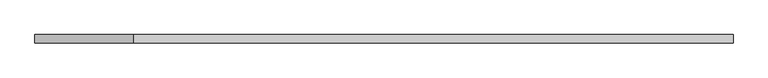
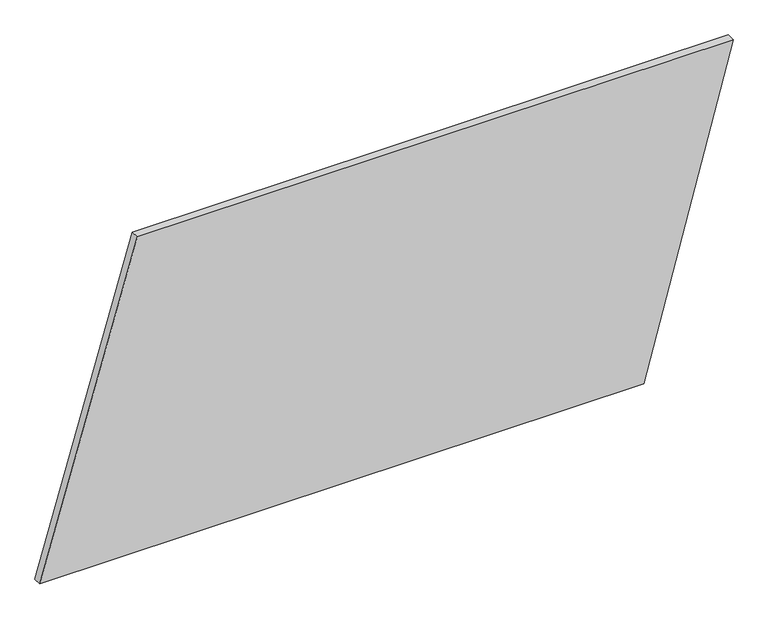
"""IFC4 building model written with IfcOpenShell, lengths in millimetres: plate geometry."""

from ifc_helpers import new_model, si_unit, frame, origin, place, context, project, spatial, polyline, outline, extrude, source, transform, mapped, element, save


def plate_ed5abdaf(model_context):
    return source(origin(), model_context, "Body", "SweptSolid", [
        extrude(outline(polyline([(0.0, -1042.3060061), (0.0, 774.3568136), (1000.0, 1042.3060061), (1000.0, -749.0605575), (0.0, -1042.3060061)])), frame((0.0, 24.5, 0.0), z_axis=(0.0, 1.0, 0.0), x_axis=(0.0, 0.0, 1.0)), (0.0, 0.0, 1.0), 25.0),
    ])


if __name__ == "__main__":
    model = new_model("IFC4")
    model_context = context("Model", 3, world=origin())
    ifc_project = project(units=[si_unit("LENGTHUNIT", "METRE", prefix="MILLI")], contexts=[model_context])
    site = spatial("IfcSite", under=ifc_project)
    building = spatial("IfcBuilding", under=site)
    placement = place(None, origin())
    plate_shape = plate_ed5abdaf(model_context)
    element("IfcPlate", 1, at=placement, inside=building, context=model_context, shape_type="MappedRepresentation", body=[
        mapped(plate_shape, transform((0.0, 0.0, 0.0), x_axis=(1.0, 0.0, 0.0), y_axis=(0.0, 1.0, 0.0), z_axis=(0.0, 0.0, 1.0))),
    ])
    save(model, "model.ifc")
